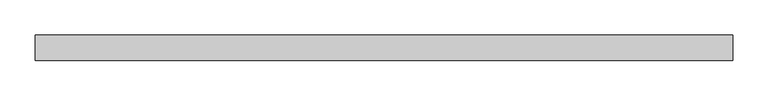
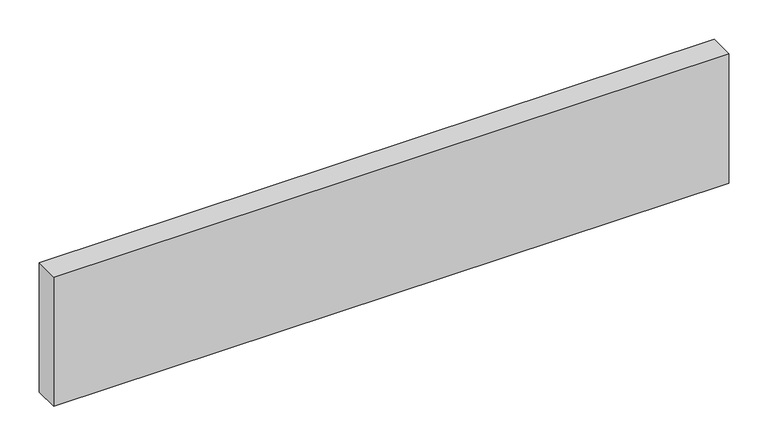
"""IFC4 building model written with IfcOpenShell, lengths in millimetres: beam geometry."""

from ifc_helpers import new_model, si_unit, frame, origin, place, context, project, spatial, polyline, outline, extrude, source, transform, mapped, element, save


def beam_2cddbeb6(model_context):
    return source(origin(), model_context, "Body", "SweptSolid", [
        extrude(outline(polyline([(493.2, -18.0), (-493.2, -18.0), (-493.2, 18.0), (493.2, 18.0), (493.2, -18.0)])), frame((0.0, 0.0, -100.0), z_axis=(0.0, 0.0, 1.0), x_axis=(1.0, 0.0, 0.0)), (0.0, 0.0, 1.0), 200.0),
    ])


if __name__ == "__main__":
    model = new_model("IFC4")
    model_context = context("Model", 3, world=origin())
    ifc_project = project(units=[si_unit("LENGTHUNIT", "METRE", prefix="MILLI")], contexts=[model_context])
    site = spatial("IfcSite", under=ifc_project)
    building = spatial("IfcBuilding", under=site)
    placement = place(None, origin())
    beam_shape = beam_2cddbeb6(model_context)
    element("IfcBeam", 1, at=placement, inside=building, context=model_context, shape_type="MappedRepresentation", body=[
        mapped(beam_shape, transform((0.0, 0.0, 0.0), x_axis=(1.0, 0.0, 0.0), y_axis=(0.0, 1.0, 0.0), z_axis=(0.0, 0.0, 1.0))),
    ])
    save(model, "model.ifc")
